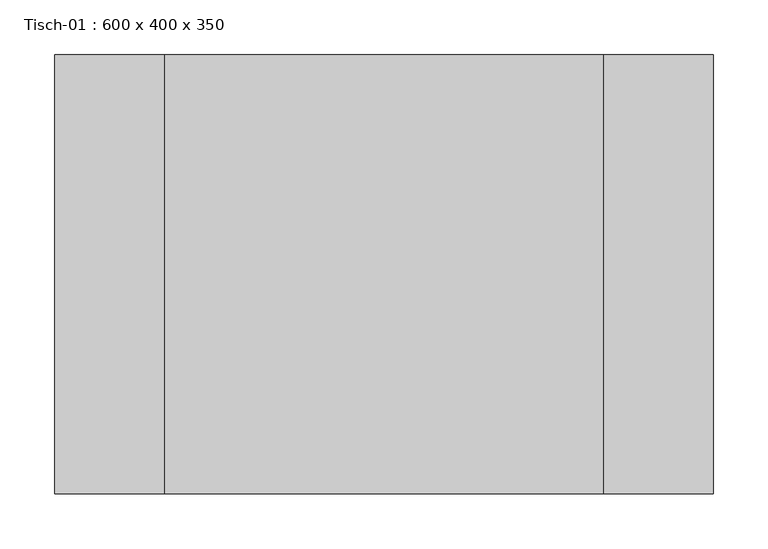
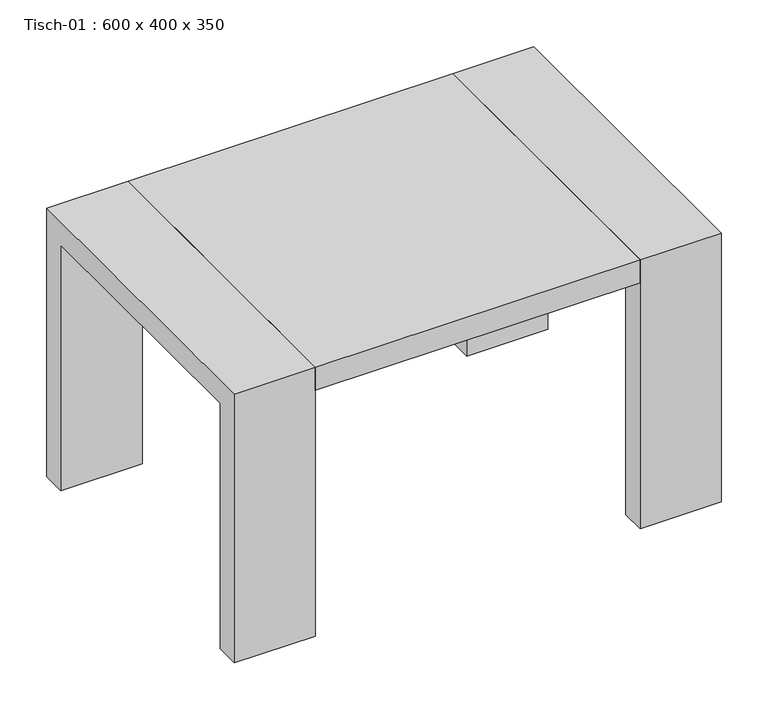
"""IFC4 building model written with IfcOpenShell, lengths in millimetres: furniture geometry, Tisch-01 : 600 x 400 x 350."""

from ifc_helpers import new_model, si_unit, frame, origin, place, context, project, spatial, polyline, outline, extrude, source, transform, mapped, element, save


def tisch_01_600_x_400_x_350_a7e2f525(model_context):
    return source(origin(), model_context, "Body", "SweptSolid", [
        extrude(outline(polyline([(44.6852459, 19.2852459), (44.6852459, -380.7147541), (-355.3147541, -380.7147541), (-355.3147541, 19.2852459), (44.6852459, 19.2852459)])), frame((0.0, 0.0, 320.0), z_axis=(0.0, 0.0, 1.0), x_axis=(1.0, 0.0, 0.0)), (0.0, 0.0, 1.0), 30.0),
        extrude(outline(polyline([(-380.7147541, 350.0), (19.2852459, 350.0), (19.2852459, 0.0), (-10.7147541, 0.0), (-10.7147541, 320.0), (-350.7147541, 320.0), (-350.7147541, 0.0), (-380.7147541, 0.0), (-380.7147541, 350.0)])), frame((-455.3147541, 0.0, 0.0), z_axis=(1.0, 0.0, 0.0), x_axis=(0.0, 1.0, 0.0)), (0.0, 0.0, 1.0), 100.0),
        extrude(outline(polyline([(-380.7147541, 350.0), (19.2852459, 350.0), (19.2852459, 0.0), (-10.7147541, 0.0), (-10.7147541, 320.0), (-350.7147541, 320.0), (-350.7147541, 0.0), (-380.7147541, 0.0), (-380.7147541, 350.0)])), frame((44.6852459, 0.0, 0.0), z_axis=(1.0, 0.0, 0.0), x_axis=(0.0, 1.0, 0.0)), (0.0, 0.0, 1.0), 100.0),
    ])


if __name__ == "__main__":
    model = new_model("IFC4")
    model_context = context("Model", 3, world=origin())
    ifc_project = project(units=[si_unit("LENGTHUNIT", "METRE", prefix="MILLI")], contexts=[model_context])
    site = spatial("IfcSite", under=ifc_project)
    building = spatial("IfcBuilding", under=site)
    placement = place(None, origin())
    tisch_01_600_x_400_x_350_shape = tisch_01_600_x_400_x_350_a7e2f525(model_context)
    element("IfcFurniture", 1, ObjectType="Tisch-01 : 600 x 400 x 350", at=placement, inside=building, context=model_context, shape_type="MappedRepresentation", body=[
        mapped(tisch_01_600_x_400_x_350_shape, transform((0.0, 0.0, 0.0), x_axis=(1.0, 0.0, 0.0), y_axis=(0.0, 1.0, 0.0), z_axis=(0.0, 0.0, 1.0))),
    ])
    save(model, "model.ifc")
